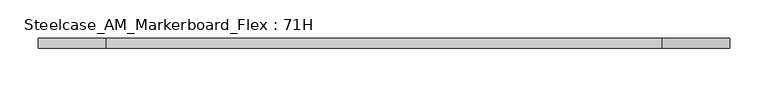
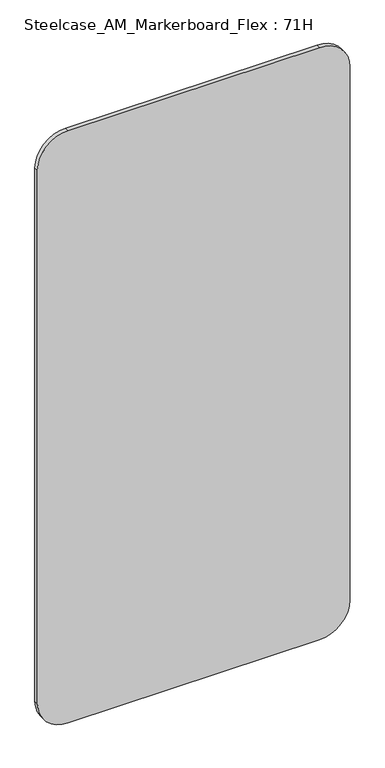
"""IFC4 building model written with IfcOpenShell, lengths in millimetres: furniture geometry, Steelcase_AM_Markerboard_Flex : 71H."""

import ifcopenshell
import ifcopenshell.guid

model = None  # the IFC model being written
_history = None  # IfcOwnerHistory: only IFC2X3 demands one
_inside = {}  # id of a spatial element -> (the spatial element, [elements in it])
_under = {}  # id of a project, library or spatial element -> (it, [spatial elements below it])
_declared = {}  # id of a project -> (the project, [libraries it declares])
_typed = {}  # id of a type object -> (the type object, [elements of that type])
_made_of = {}  # id of a material, layer set ... -> (it, [elements and type objects made of it])


def new_model(schema):
    """Start an empty IFC model of exactly this schema.

    Asked for "IFC4X3", IfcOpenShell would pick the latest addendum, in which some entities
    have other attributes; the version numbers below select the first issue.
    IFC2X3 requires an IfcOwnerHistory on every rooted entity: one is made here for all.
    """
    global model, _history
    if schema == "IFC4X3":
        model = ifcopenshell.file(schema_version=(4, 3, 0, 0))
    else:
        model = ifcopenshell.file(schema=schema)
    _inside.clear()
    _under.clear()
    _declared.clear()
    _typed.clear()
    _made_of.clear()
    _history = None
    if model.schema == "IFC2X3":
        org = make("IfcOrganization", Name="unknown")
        user = make(
            "IfcPersonAndOrganization",
            ThePerson=make("IfcPerson", FamilyName="unknown"),
            TheOrganization=org,
        )
        app = make(
            "IfcApplication",
            ApplicationDeveloper=org,
            Version="unknown",
            ApplicationFullName="unknown",
            ApplicationIdentifier="unknown",
        )
        _history = make(
            "IfcOwnerHistory",
            OwningUser=user,
            OwningApplication=app,
            ChangeAction="ADDED",
            CreationDate=0,
        )
    return model


def make(cls, **values):
    """One entity of the class cls with the attributes given. An attribute that is None is left unset."""
    return model.create_entity(
        cls, **{name: value for name, value in values.items() if value is not None}
    )


def rooted(cls, **values):
    """An entity with a GlobalId (a new one), such as an element, a storey or a relation."""
    return make(cls, GlobalId=ifcopenshell.guid.new(), OwnerHistory=_history, **values)


def si_unit(unit_type, name, prefix=None):
    """IfcSIUnit, for example si_unit("LENGTHUNIT", "METRE", prefix="MILLI")."""
    return make("IfcSIUnit", UnitType=unit_type, Prefix=prefix, Name=name)


def assignment(units):
    """IfcUnitAssignment: the units of a project."""
    return None if units is None else make("IfcUnitAssignment", Units=units)


def point(xyz):
    """IfcCartesianPoint."""
    return None if xyz is None else make("IfcCartesianPoint", Coordinates=xyz)


def direction(xyz):
    """IfcDirection."""
    return None if xyz is None else make("IfcDirection", DirectionRatios=xyz)


def frame(location, z_axis=None, x_axis=None):
    """IfcAxis2Placement3D, a coordinate frame: its origin and axes. An axis left out is left unset."""
    return make(
        "IfcAxis2Placement3D",
        Location=point(location),
        Axis=direction(z_axis),
        RefDirection=direction(x_axis),
    )


def frame_2d(location, x_axis=None):
    """IfcAxis2Placement2D, a coordinate frame in the plane: its origin and x axis."""
    return make(
        "IfcAxis2Placement2D", Location=point(location), RefDirection=direction(x_axis)
    )


def origin():
    """The frame at (0, 0, 0) with its axes left unset."""
    return frame((0.0, 0.0, 0.0))


def place(relative_to, where):
    """IfcLocalPlacement: puts the frame where relative to a parent placement (None: the world)."""
    return make(
        "IfcLocalPlacement", PlacementRelTo=relative_to, RelativePlacement=where
    )


def context(
    kind, dimensions, precision=None, world=None, true_north=None, identifier=None
):
    """IfcGeometricRepresentationContext, for example the 3D "Model" context."""
    return make(
        "IfcGeometricRepresentationContext",
        ContextIdentifier=identifier,
        ContextType=kind,
        CoordinateSpaceDimension=dimensions,
        Precision=precision,
        WorldCoordinateSystem=world,
        TrueNorth=true_north,
    )


def project(units=None, contexts=None):
    """IfcProject with its units and contexts."""
    return rooted(
        "IfcProject",
        Name="project",
        RepresentationContexts=contexts,
        UnitsInContext=assignment(units),
    )


def spatial(cls, under=None, at=None, **own):
    """A site, building, storey or space (cls), placed at a placement, below another one or the project."""
    s = rooted(cls, ObjectPlacement=at, **own)
    if under is not None:
        _under.setdefault(under.id(), (under, []))[1].append(s)
    return s


def polyline(points):
    """IfcPolyline through the points."""
    return make("IfcPolyline", Points=[point(p) for p in points])


def circle_curve(where, radius):
    """IfcCircle in the frame where."""
    return make("IfcCircle", Position=where, Radius=radius)


def trimmed(basis, trim1, trim2, sense, master):
    """IfcTrimmedCurve: the piece of a basis curve between two trims."""
    return make(
        "IfcTrimmedCurve",
        BasisCurve=basis,
        Trim1=trim1,
        Trim2=trim2,
        SenseAgreement=sense,
        MasterRepresentation=master,
    )


def segment(curve, same_sense, transition):
    """IfcCompositeCurveSegment."""
    return make(
        "IfcCompositeCurveSegment",
        Transition=transition,
        SameSense=same_sense,
        ParentCurve=curve,
    )


def composite_curve(segments, self_intersect=None):
    """IfcCompositeCurve: segments joined end to end."""
    return make("IfcCompositeCurve", Segments=segments, SelfIntersect=self_intersect)


def outline(outer, holes=None, kind="AREA"):
    """IfcArbitraryClosedProfileDef: a profile drawn as a closed curve; with holes, ...WithVoids."""
    if holes is None:
        return make("IfcArbitraryClosedProfileDef", ProfileType=kind, OuterCurve=outer)
    return make(
        "IfcArbitraryProfileDefWithVoids",
        ProfileType=kind,
        OuterCurve=outer,
        InnerCurves=holes,
    )


def extrude(swept, where, along, depth):
    """IfcExtrudedAreaSolid: the profile swept, set in the frame where, extruded along a direction by depth."""
    return make(
        "IfcExtrudedAreaSolid",
        SweptArea=swept,
        Position=where,
        ExtrudedDirection=direction(along),
        Depth=depth,
    )


def shape(context_of_items, identifier, shape_type, items):
    """IfcShapeRepresentation: the items that make up one representation, for example the "Body"."""
    return make(
        "IfcShapeRepresentation",
        ContextOfItems=context_of_items,
        RepresentationIdentifier=identifier,
        RepresentationType=shape_type,
        Items=items,
    )


def source(mapping_origin, context_of_items, identifier, shape_type, items):
    """IfcRepresentationMap: a shape defined once, which mapped items show again and again."""
    return make(
        "IfcRepresentationMap",
        MappingOrigin=mapping_origin,
        MappedRepresentation=shape(context_of_items, identifier, shape_type, items),
    )


def transform(
    local_origin,
    x_axis=None,
    y_axis=None,
    z_axis=None,
    scale=None,
    scale2=None,
    scale3=None,
    uniform=True,
):
    """IfcCartesianTransformationOperator3D, or its non-uniform kind. x_axis, y_axis, z_axis: its Axis1, 2, 3."""
    if uniform:
        return make(
            "IfcCartesianTransformationOperator3D",
            Axis1=direction(x_axis),
            Axis2=direction(y_axis),
            LocalOrigin=point(local_origin),
            Scale=scale,
            Axis3=direction(z_axis),
        )
    return make(
        "IfcCartesianTransformationOperator3DnonUniform",
        Axis1=direction(x_axis),
        Axis2=direction(y_axis),
        LocalOrigin=point(local_origin),
        Scale=scale,
        Axis3=direction(z_axis),
        Scale2=scale2,
        Scale3=scale3,
    )


def mapped(mapping_source, mapping_target):
    """IfcMappedItem: shows the shape of a source again, moved by a transform."""
    return make(
        "IfcMappedItem", MappingSource=mapping_source, MappingTarget=mapping_target
    )


def made_of(thing, what):
    """Note that an element or type object is made of a material, layer set ...; save() writes the relation."""
    if what is not None:
        _made_of.setdefault(what.id(), (what, []))[1].append(thing)
    return thing


def element(
    cls,
    number,
    at=None,
    inside=None,
    cuts=None,
    type_object=None,
    material=None,
    context=None,
    identifier="Body",
    shape_type=None,
    held_by="IfcProductDefinitionShape",
    body=None,
    shapes=None,
    **own,
):
    """One element of the class cls, such as IfcWall. Its Tag is "e" and its number.

    at: its placement. inside: the storey or other place that contains it. cuts: it is an
    opening in that element (IfcRelVoidsElement). A single representation is given by context,
    identifier, shape_type and body (its items); several are given by shapes. held_by: the class
    of the entity that holds the representations. save() writes the other relations.
    """
    e = rooted(cls, Tag="e%d" % number, ObjectPlacement=at, **own)
    if body is not None:
        shapes = [shape(context, identifier, shape_type, body)]
    if shapes is not None:
        e.Representation = make(held_by, Representations=shapes)
    if inside is not None:
        _inside.setdefault(inside.id(), (inside, []))[1].append(e)
    if cuts is not None:
        rooted(
            "IfcRelVoidsElement", RelatingBuildingElement=cuts, RelatedOpeningElement=e
        )
    if type_object is not None:
        _typed.setdefault(type_object.id(), (type_object, []))[1].append(e)
    return made_of(e, material)


def aggregate(whole, parts):
    """IfcRelAggregates: a whole, such as a stair, and the parts it consists of."""
    return rooted("IfcRelAggregates", RelatingObject=whole, RelatedObjects=parts)


def save(model, path):
    """Write the relations noted so far, then the file.

    IfcRelAggregates (storeys below a building ...), IfcRelContainedInSpatialStructure (elements
    in a storey), IfcRelDefinesByType, IfcRelAssociatesMaterial and IfcRelDeclares: one each for
    every whole, place, type object, material and project.
    """
    for whole, parts in _under.values():
        aggregate(whole, parts)
    for where, things in _inside.values():
        rooted(
            "IfcRelContainedInSpatialStructure",
            RelatedElements=things,
            RelatingStructure=where,
        )
    for kind, things in _typed.values():
        rooted("IfcRelDefinesByType", RelatedObjects=things, RelatingType=kind)
    for what, things in _made_of.values():
        rooted("IfcRelAssociatesMaterial", RelatedObjects=things, RelatingMaterial=what)
    for by, libraries in _declared.values():
        rooted("IfcRelDeclares", RelatingContext=by, RelatedDefinitions=libraries)
    model.write(path)


def steelcase_am_markerboard_flex_71h_b4e5fa6c(model_context):
    return source(origin(), model_context, "Body", "SweptSolid", [
        extrude(outline(composite_curve([segment(polyline([(1803.4, 812.8), (1803.4, 88.9)]), True, "CONTINUOUS"), segment(trimmed(circle_curve(frame_2d((1714.5, 88.9)), 88.9), [point((1803.4, 88.9))], [point((1714.5, 0.0))], False, "CARTESIAN"), True, "CONTINUOUS"), segment(polyline([(1714.5, 0.0), (88.9, 0.0)]), True, "CONTINUOUS"), segment(trimmed(circle_curve(frame_2d((88.9, 88.9)), 88.9), [point((88.9, 0.0))], [point((0.0, 88.9))], False, "CARTESIAN"), True, "CONTINUOUS"), segment(polyline([(0.0, 88.9), (0.0, 812.8)]), True, "CONTINUOUS"), segment(trimmed(circle_curve(frame_2d((88.9, 812.8)), 88.9), [point((0.0, 812.8))], [point((88.9, 901.7))], False, "CARTESIAN"), True, "CONTINUOUS"), segment(polyline([(88.9, 901.7), (1714.5, 901.7)]), True, "CONTINUOUS"), segment(trimmed(circle_curve(frame_2d((1714.5, 812.8)), 88.9), [point((1714.5, 901.7))], [point((1803.4, 812.8))], False, "CARTESIAN"), True, "CONTINUOUS")], self_intersect=False)), frame((0.0, -12.6952438, 0.0), z_axis=(0.0, 1.0, 0.0), x_axis=(0.0, 0.0, 1.0)), (0.0, 0.0, 1.0), 12.6952438),
    ])


if __name__ == "__main__":
    model = new_model("IFC4")
    model_context = context("Model", 3, world=origin())
    ifc_project = project(units=[si_unit("LENGTHUNIT", "METRE", prefix="MILLI")], contexts=[model_context])
    site = spatial("IfcSite", under=ifc_project)
    building = spatial("IfcBuilding", under=site)
    placement = place(None, origin())
    steelcase_am_markerboard_flex_71h_shape = steelcase_am_markerboard_flex_71h_b4e5fa6c(model_context)
    element("IfcFurniture", 1, ObjectType="Steelcase_AM_Markerboard_Flex : 71H", at=placement, inside=building, context=model_context, shape_type="MappedRepresentation", body=[
        mapped(steelcase_am_markerboard_flex_71h_shape, transform((0.0, 0.0, 0.0), x_axis=(1.0, 0.0, 0.0), y_axis=(0.0, 1.0, 0.0), z_axis=(0.0, 0.0, 1.0))),
    ])
    save(model, "model.ifc")
